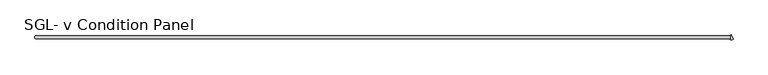
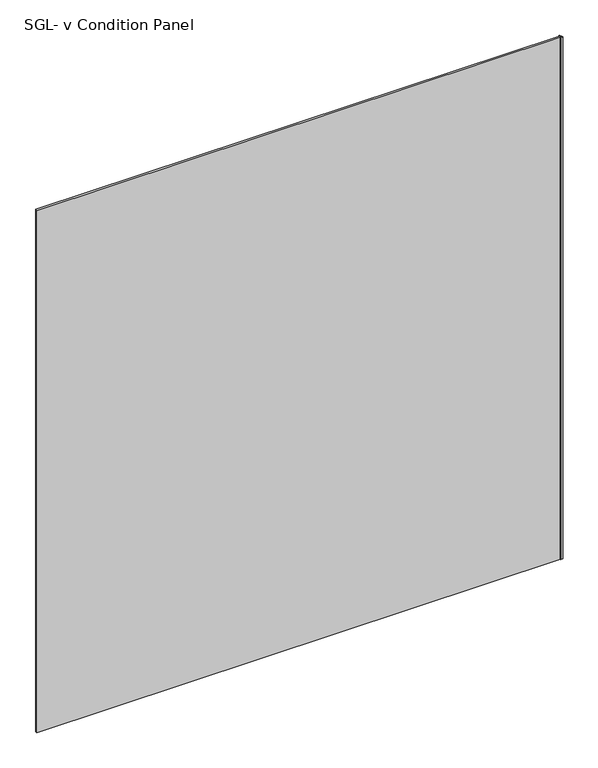
"""IFC4 building model written with IfcOpenShell, lengths in millimetres: plate geometry, SGL- v Condition Panel."""

from ifc_helpers import new_model, si_unit, point, frame_2d, origin, origin_with_axes, place, context, project, spatial, polyline, circle_curve, trimmed, segment, composite_curve, outline, extrude, source, transform, mapped, element, save


def sgl_v_condition_panel_20080437(model_context):
    return source(origin(), model_context, "Body", "SweptSolid", [
        extrude(outline(composite_curve([segment(polyline([(1115.4086905, -20.6375), (1113.7022235, -18.9310331)]), True, "CONTINUOUS"), segment(trimmed(circle_curve(frame_2d((1113.9828565, -18.6504)), 0.396875), [point((1113.7022235, -18.9310331))], [point((1113.9747767, -18.2536073))], False, "CARTESIAN"), True, "CONTINUOUS"), segment(trimmed(circle_curve(frame_2d((1113.8074556, -10.036585)), 8.2187257), [point((1113.9747767, -18.2536073))], [point((1116.9526258, -17.6296974))], True, "CARTESIAN"), True, "CONTINUOUS"), segment(polyline([(1116.9526258, -17.6296974), (1122.7995845, -31.7455045)]), True, "CONTINUOUS"), segment(trimmed(circle_curve(frame_2d((1116.0373439, -15.4200115)), 17.6705863), [point((1122.7995845, -31.7455045))], [point((1113.5543486, -32.9152781))], False, "CARTESIAN"), True, "CONTINUOUS"), segment(trimmed(circle_curve(frame_2d((1113.6101158, -32.5223407)), 0.396875), [point((1113.5543486, -32.9152781))], [point((1113.3294828, -32.2417077))], False, "CARTESIAN"), True, "CONTINUOUS"), segment(polyline([(1113.3294828, -32.2417077), (1115.4086905, -30.1625), (1115.4086905, -20.6375)]), True, "CONTINUOUS")], self_intersect=False)), origin_with_axes(), (0.0, 0.0, 1.0), 2339.914687),
        extrude(outline(polyline([(1113.8211905, -30.1625), (-1108.0754673, -30.1625), (-1109.6629673, -28.575), (-1109.6629673, -22.225), (-1108.0754673, -20.6375), (1113.8211905, -20.6375), (1115.4086905, -22.225), (1115.4086905, -28.575), (1113.8211905, -30.1625)])), origin_with_axes(), (0.0, 0.0, 1.0), 2339.914687),
    ])


if __name__ == "__main__":
    model = new_model("IFC4")
    model_context = context("Model", 3, world=origin())
    ifc_project = project(units=[si_unit("LENGTHUNIT", "METRE", prefix="MILLI")], contexts=[model_context])
    site = spatial("IfcSite", under=ifc_project)
    building = spatial("IfcBuilding", under=site)
    placement = place(None, origin())
    sgl_v_condition_panel_shape = sgl_v_condition_panel_20080437(model_context)
    element("IfcPlate", 1, ObjectType="SGL- v Condition Panel", at=placement, inside=building, context=model_context, shape_type="MappedRepresentation", body=[
        mapped(sgl_v_condition_panel_shape, transform((0.0, 0.0, 0.0), x_axis=(1.0, 0.0, 0.0), y_axis=(0.0, 1.0, 0.0), z_axis=(0.0, 0.0, 1.0))),
    ])
    save(model, "model.ifc")
